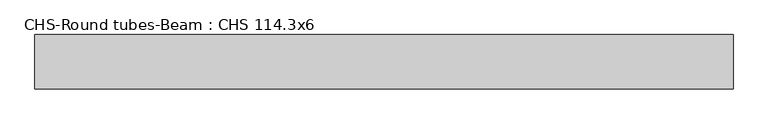
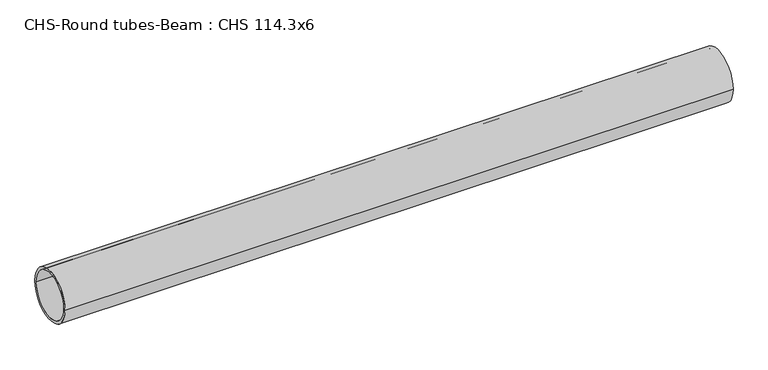
"""IFC4 building model written with IfcOpenShell, lengths in millimetres: beam geometry, CHS-Round tubes-Beam : CHS 114.3x6."""

from ifc_helpers import new_model, si_unit, point, frame, origin, origin_2d, place, context, project, spatial, circle_curve, trimmed, segment, composite_curve, outline, extrude, source, transform, mapped, element, save


def chs_round_tubes_beam_chs_114_3x6_97c40f63(model_context):
    return source(origin(), model_context, "Body", "SweptSolid", [
        extrude(outline(composite_curve([segment(trimmed(circle_curve(origin_2d(), 57.15), [point((57.15, 0.0))], [point((-57.15, 0.0))], False, "CARTESIAN"), True, "CONTINUOUS"), segment(trimmed(circle_curve(origin_2d(), 57.15), [point((-57.15, 0.0))], [point((57.15, 0.0))], False, "CARTESIAN"), True, "CONTINUOUS")], self_intersect=False), holes=[composite_curve([segment(trimmed(circle_curve(origin_2d(), 51.15), [point((51.15, 0.0))], [point((-51.15, 0.0))], True, "CARTESIAN"), True, "CONTINUOUS"), segment(trimmed(circle_curve(origin_2d(), 51.15), [point((-51.15, 0.0))], [point((51.15, 0.0))], True, "CARTESIAN"), True, "CONTINUOUS")], self_intersect=False)]), frame((-736.8866613, 0.0, 0.0), z_axis=(1.0, 0.0, 0.0), x_axis=(0.0, 1.0, 0.0)), (0.0, 0.0, 1.0), 1466.1742399),
    ])


if __name__ == "__main__":
    model = new_model("IFC4")
    model_context = context("Model", 3, world=origin())
    ifc_project = project(units=[si_unit("LENGTHUNIT", "METRE", prefix="MILLI")], contexts=[model_context])
    site = spatial("IfcSite", under=ifc_project)
    building = spatial("IfcBuilding", under=site)
    placement = place(None, origin())
    chs_round_tubes_beam_chs_114_3x6_shape = chs_round_tubes_beam_chs_114_3x6_97c40f63(model_context)
    element("IfcBeam", 1, ObjectType="CHS-Round tubes-Beam : CHS 114.3x6", at=placement, inside=building, context=model_context, shape_type="MappedRepresentation", body=[
        mapped(chs_round_tubes_beam_chs_114_3x6_shape, transform((0.0, 0.0, 0.0), x_axis=(1.0, 0.0, 0.0), y_axis=(0.0, 1.0, 0.0), z_axis=(0.0, 0.0, 1.0))),
    ])
    save(model, "model.ifc")
